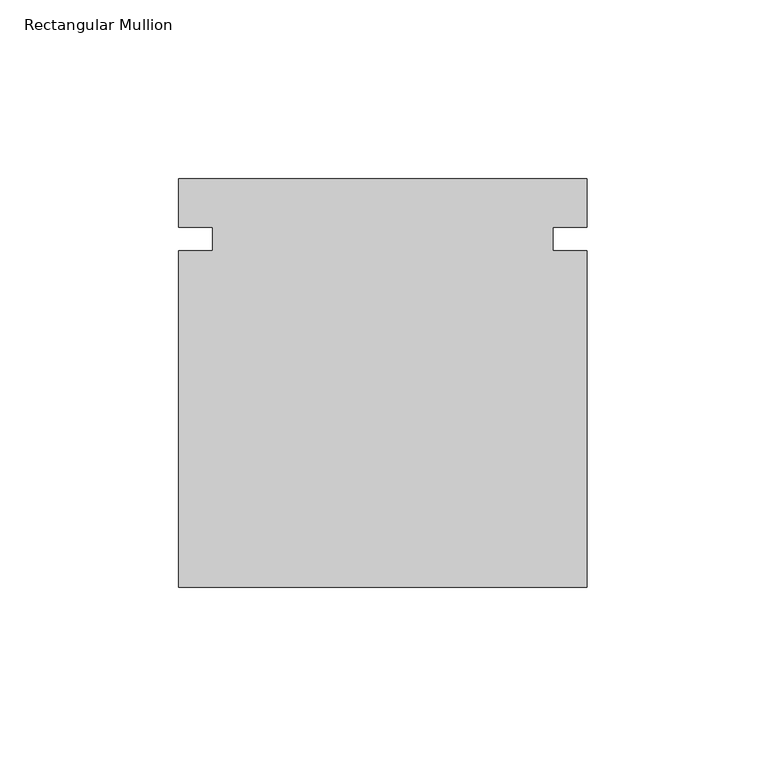
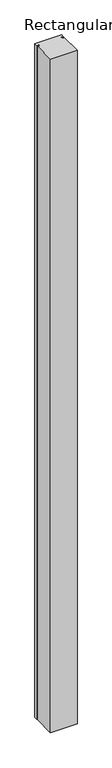
"""IFC4 building model written with IfcOpenShell, lengths in millimetres: member geometry, Rectangular Mullion."""

import ifcopenshell
import ifcopenshell.guid

model = None  # the IFC model being written
_history = None  # IfcOwnerHistory: only IFC2X3 demands one
_inside = {}  # id of a spatial element -> (the spatial element, [elements in it])
_under = {}  # id of a project, library or spatial element -> (it, [spatial elements below it])
_declared = {}  # id of a project -> (the project, [libraries it declares])
_typed = {}  # id of a type object -> (the type object, [elements of that type])
_made_of = {}  # id of a material, layer set ... -> (it, [elements and type objects made of it])


def new_model(schema):
    """Start an empty IFC model of exactly this schema.

    Asked for "IFC4X3", IfcOpenShell would pick the latest addendum, in which some entities
    have other attributes; the version numbers below select the first issue.
    IFC2X3 requires an IfcOwnerHistory on every rooted entity: one is made here for all.
    """
    global model, _history
    if schema == "IFC4X3":
        model = ifcopenshell.file(schema_version=(4, 3, 0, 0))
    else:
        model = ifcopenshell.file(schema=schema)
    _inside.clear()
    _under.clear()
    _declared.clear()
    _typed.clear()
    _made_of.clear()
    _history = None
    if model.schema == "IFC2X3":
        org = make("IfcOrganization", Name="unknown")
        user = make(
            "IfcPersonAndOrganization",
            ThePerson=make("IfcPerson", FamilyName="unknown"),
            TheOrganization=org,
        )
        app = make(
            "IfcApplication",
            ApplicationDeveloper=org,
            Version="unknown",
            ApplicationFullName="unknown",
            ApplicationIdentifier="unknown",
        )
        _history = make(
            "IfcOwnerHistory",
            OwningUser=user,
            OwningApplication=app,
            ChangeAction="ADDED",
            CreationDate=0,
        )
    return model


def make(cls, **values):
    """One entity of the class cls with the attributes given. An attribute that is None is left unset."""
    return model.create_entity(
        cls, **{name: value for name, value in values.items() if value is not None}
    )


def rooted(cls, **values):
    """An entity with a GlobalId (a new one), such as an element, a storey or a relation."""
    return make(cls, GlobalId=ifcopenshell.guid.new(), OwnerHistory=_history, **values)


def si_unit(unit_type, name, prefix=None):
    """IfcSIUnit, for example si_unit("LENGTHUNIT", "METRE", prefix="MILLI")."""
    return make("IfcSIUnit", UnitType=unit_type, Prefix=prefix, Name=name)


def assignment(units):
    """IfcUnitAssignment: the units of a project."""
    return None if units is None else make("IfcUnitAssignment", Units=units)


def point(xyz):
    """IfcCartesianPoint."""
    return None if xyz is None else make("IfcCartesianPoint", Coordinates=xyz)


def direction(xyz):
    """IfcDirection."""
    return None if xyz is None else make("IfcDirection", DirectionRatios=xyz)


def frame(location, z_axis=None, x_axis=None):
    """IfcAxis2Placement3D, a coordinate frame: its origin and axes. An axis left out is left unset."""
    return make(
        "IfcAxis2Placement3D",
        Location=point(location),
        Axis=direction(z_axis),
        RefDirection=direction(x_axis),
    )


def origin():
    """The frame at (0, 0, 0) with its axes left unset."""
    return frame((0.0, 0.0, 0.0))


def place(relative_to, where):
    """IfcLocalPlacement: puts the frame where relative to a parent placement (None: the world)."""
    return make(
        "IfcLocalPlacement", PlacementRelTo=relative_to, RelativePlacement=where
    )


def context(
    kind, dimensions, precision=None, world=None, true_north=None, identifier=None
):
    """IfcGeometricRepresentationContext, for example the 3D "Model" context."""
    return make(
        "IfcGeometricRepresentationContext",
        ContextIdentifier=identifier,
        ContextType=kind,
        CoordinateSpaceDimension=dimensions,
        Precision=precision,
        WorldCoordinateSystem=world,
        TrueNorth=true_north,
    )


def project(units=None, contexts=None):
    """IfcProject with its units and contexts."""
    return rooted(
        "IfcProject",
        Name="project",
        RepresentationContexts=contexts,
        UnitsInContext=assignment(units),
    )


def spatial(cls, under=None, at=None, **own):
    """A site, building, storey or space (cls), placed at a placement, below another one or the project."""
    s = rooted(cls, ObjectPlacement=at, **own)
    if under is not None:
        _under.setdefault(under.id(), (under, []))[1].append(s)
    return s


def polyline(points):
    """IfcPolyline through the points."""
    return make("IfcPolyline", Points=[point(p) for p in points])


def outline(outer, holes=None, kind="AREA"):
    """IfcArbitraryClosedProfileDef: a profile drawn as a closed curve; with holes, ...WithVoids."""
    if holes is None:
        return make("IfcArbitraryClosedProfileDef", ProfileType=kind, OuterCurve=outer)
    return make(
        "IfcArbitraryProfileDefWithVoids",
        ProfileType=kind,
        OuterCurve=outer,
        InnerCurves=holes,
    )


def extrude(swept, where, along, depth):
    """IfcExtrudedAreaSolid: the profile swept, set in the frame where, extruded along a direction by depth."""
    return make(
        "IfcExtrudedAreaSolid",
        SweptArea=swept,
        Position=where,
        ExtrudedDirection=direction(along),
        Depth=depth,
    )


def shape(context_of_items, identifier, shape_type, items):
    """IfcShapeRepresentation: the items that make up one representation, for example the "Body"."""
    return make(
        "IfcShapeRepresentation",
        ContextOfItems=context_of_items,
        RepresentationIdentifier=identifier,
        RepresentationType=shape_type,
        Items=items,
    )


def source(mapping_origin, context_of_items, identifier, shape_type, items):
    """IfcRepresentationMap: a shape defined once, which mapped items show again and again."""
    return make(
        "IfcRepresentationMap",
        MappingOrigin=mapping_origin,
        MappedRepresentation=shape(context_of_items, identifier, shape_type, items),
    )


def transform(
    local_origin,
    x_axis=None,
    y_axis=None,
    z_axis=None,
    scale=None,
    scale2=None,
    scale3=None,
    uniform=True,
):
    """IfcCartesianTransformationOperator3D, or its non-uniform kind. x_axis, y_axis, z_axis: its Axis1, 2, 3."""
    if uniform:
        return make(
            "IfcCartesianTransformationOperator3D",
            Axis1=direction(x_axis),
            Axis2=direction(y_axis),
            LocalOrigin=point(local_origin),
            Scale=scale,
            Axis3=direction(z_axis),
        )
    return make(
        "IfcCartesianTransformationOperator3DnonUniform",
        Axis1=direction(x_axis),
        Axis2=direction(y_axis),
        LocalOrigin=point(local_origin),
        Scale=scale,
        Axis3=direction(z_axis),
        Scale2=scale2,
        Scale3=scale3,
    )


def mapped(mapping_source, mapping_target):
    """IfcMappedItem: shows the shape of a source again, moved by a transform."""
    return make(
        "IfcMappedItem", MappingSource=mapping_source, MappingTarget=mapping_target
    )


def made_of(thing, what):
    """Note that an element or type object is made of a material, layer set ...; save() writes the relation."""
    if what is not None:
        _made_of.setdefault(what.id(), (what, []))[1].append(thing)
    return thing


def element(
    cls,
    number,
    at=None,
    inside=None,
    cuts=None,
    type_object=None,
    material=None,
    context=None,
    identifier="Body",
    shape_type=None,
    held_by="IfcProductDefinitionShape",
    body=None,
    shapes=None,
    **own,
):
    """One element of the class cls, such as IfcWall. Its Tag is "e" and its number.

    at: its placement. inside: the storey or other place that contains it. cuts: it is an
    opening in that element (IfcRelVoidsElement). A single representation is given by context,
    identifier, shape_type and body (its items); several are given by shapes. held_by: the class
    of the entity that holds the representations. save() writes the other relations.
    """
    e = rooted(cls, Tag="e%d" % number, ObjectPlacement=at, **own)
    if body is not None:
        shapes = [shape(context, identifier, shape_type, body)]
    if shapes is not None:
        e.Representation = make(held_by, Representations=shapes)
    if inside is not None:
        _inside.setdefault(inside.id(), (inside, []))[1].append(e)
    if cuts is not None:
        rooted(
            "IfcRelVoidsElement", RelatingBuildingElement=cuts, RelatedOpeningElement=e
        )
    if type_object is not None:
        _typed.setdefault(type_object.id(), (type_object, []))[1].append(e)
    return made_of(e, material)


def aggregate(whole, parts):
    """IfcRelAggregates: a whole, such as a stair, and the parts it consists of."""
    return rooted("IfcRelAggregates", RelatingObject=whole, RelatedObjects=parts)


def save(model, path):
    """Write the relations noted so far, then the file.

    IfcRelAggregates (storeys below a building ...), IfcRelContainedInSpatialStructure (elements
    in a storey), IfcRelDefinesByType, IfcRelAssociatesMaterial and IfcRelDeclares: one each for
    every whole, place, type object, material and project.
    """
    for whole, parts in _under.values():
        aggregate(whole, parts)
    for where, things in _inside.values():
        rooted(
            "IfcRelContainedInSpatialStructure",
            RelatedElements=things,
            RelatingStructure=where,
        )
    for kind, things in _typed.values():
        rooted("IfcRelDefinesByType", RelatedObjects=things, RelatingType=kind)
    for what, things in _made_of.values():
        rooted("IfcRelAssociatesMaterial", RelatedObjects=things, RelatingMaterial=what)
    for by, libraries in _declared.values():
        rooted("IfcRelDeclares", RelatingContext=by, RelatedDefinitions=libraries)
    model.write(path)


def rectangular_mullion_7f149279(model_context):
    return source(origin(), model_context, "Body", "SweptSolid", [
        extrude(outline(polyline([(0.0, -47.1133231), (-114.3, -47.1133231), (-114.3, 47.1133231), (-104.775, 47.1133231), (-104.775, 53.5535615), (-114.3, 53.5535615), (-114.3, 67.1866769), (0.0, 67.1866769), (0.0, 53.5535615), (-9.525, 53.5535615), (-9.525, 47.1133231), (0.0, 47.1133231), (0.0, -47.1133231)])), frame((0.0, 0.0, -3048.0), z_axis=(0.0, 0.0, 1.0), x_axis=(1.0, 0.0, 0.0)), (0.0, 0.0, 1.0), 3048.0),
    ])


if __name__ == "__main__":
    model = new_model("IFC4")
    model_context = context("Model", 3, world=origin())
    ifc_project = project(units=[si_unit("LENGTHUNIT", "METRE", prefix="MILLI")], contexts=[model_context])
    site = spatial("IfcSite", under=ifc_project)
    building = spatial("IfcBuilding", under=site)
    placement = place(None, origin())
    rectangular_mullion_shape = rectangular_mullion_7f149279(model_context)
    element("IfcMember", 1, ObjectType="Rectangular Mullion", at=placement, inside=building, context=model_context, shape_type="MappedRepresentation", body=[
        mapped(rectangular_mullion_shape, transform((0.0, 0.0, 0.0), x_axis=(1.0, 0.0, 0.0), y_axis=(0.0, 1.0, 0.0), z_axis=(0.0, 0.0, 1.0))),
    ])
    save(model, "model.ifc")
